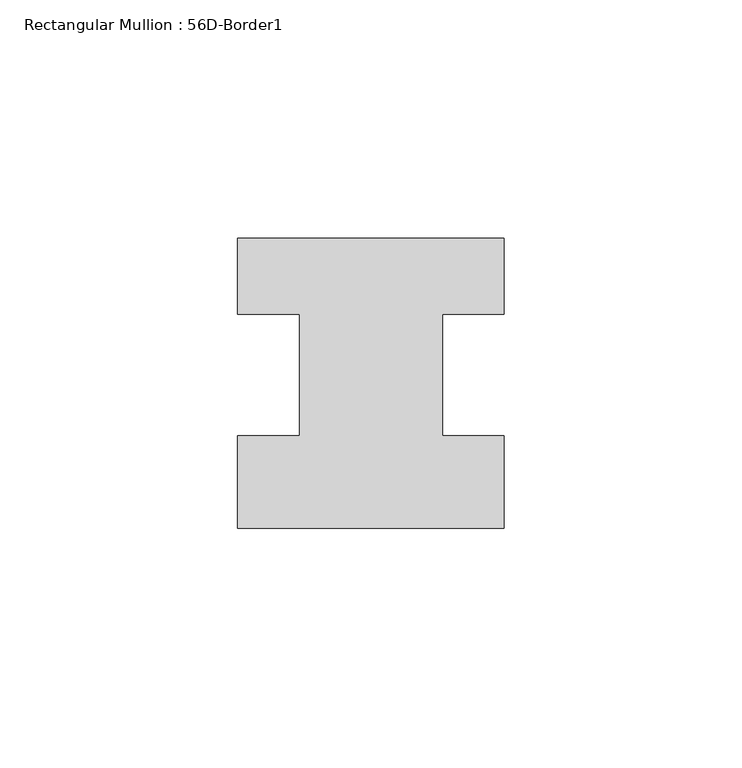
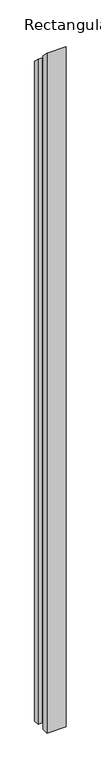
"""IFC4 building model written with IfcOpenShell, lengths in millimetres: member geometry, Rectangular Mullion : 56D-Border1."""

from ifc_helpers import new_model, si_unit, origin, place, context, project, spatial, faceted_brep, source, transform, mapped, element, save


def rectangular_mullion_56d_border1_9f47b6b2(model_context):
    return source(origin(), model_context, "Body", "Brep", [
        faceted_brep([(-56.0, -20.0, -2072.0), (-56.0, -0.5, -2072.0), (-43.0, -0.5, -2072.0), (-43.0, 25.0, -2072.0), (-56.0, 25.0, -2072.0), (-56.0, 41.0, -2072.0), (0.0, 41.0, -2072.0), (0.0, 25.0, -2072.0), (-13.0, 25.0, -2072.0), (-13.0, -0.5, -2072.0), (0.0, -0.5, -2072.0), (0.0, -20.0, -2072.0), (0.0, -20.0, 20.0), (-56.0, -20.0, 20.0), (0.0, -0.5, 0.5), (-13.0, -0.5, 0.5), (-13.0, 25.0, -25.0), (0.0, 25.0, -25.0), (0.0, 41.0, -41.0), (-56.0, 41.0, -41.0), (-56.0, 25.0, -25.0), (-43.0, 25.0, -25.0), (-43.0, -0.5, 0.5), (-56.0, -0.5, 0.5)], [[[0, 1, 2, 3, 4, 5, 6, 7, 8, 9, 10, 11]], [[12, 13, 0, 11]], [[14, 12, 11, 10]], [[15, 14, 10, 9]], [[16, 15, 9, 8]], [[17, 16, 8, 7]], [[18, 17, 7, 6]], [[19, 18, 6, 5]], [[20, 19, 5, 4]], [[21, 20, 4, 3]], [[22, 21, 3, 2]], [[23, 22, 2, 1]], [[13, 23, 1, 0]], [[13, 12, 14, 15, 16, 17, 18, 19, 20, 21, 22, 23]]]),
    ])


if __name__ == "__main__":
    model = new_model("IFC4")
    model_context = context("Model", 3, world=origin())
    ifc_project = project(units=[si_unit("LENGTHUNIT", "METRE", prefix="MILLI")], contexts=[model_context])
    site = spatial("IfcSite", under=ifc_project)
    building = spatial("IfcBuilding", under=site)
    placement = place(None, origin())
    rectangular_mullion_56d_border1_shape = rectangular_mullion_56d_border1_9f47b6b2(model_context)
    element("IfcMember", 1, ObjectType="Rectangular Mullion : 56D-Border1", at=placement, inside=building, context=model_context, shape_type="MappedRepresentation", body=[
        mapped(rectangular_mullion_56d_border1_shape, transform((0.0, 0.0, 0.0), x_axis=(1.0, 0.0, 0.0), y_axis=(0.0, 1.0, 0.0), z_axis=(0.0, 0.0, 1.0))),
    ])
    save(model, "model.ifc")
